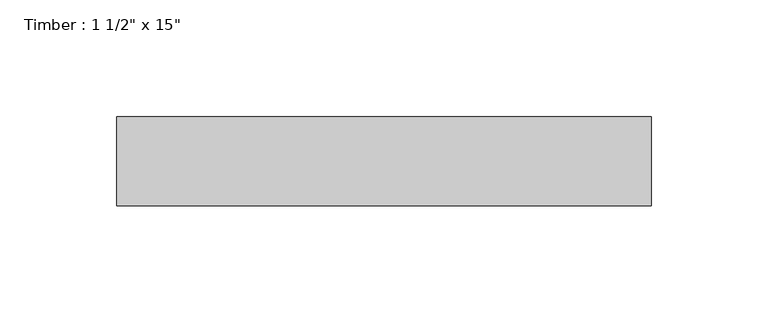
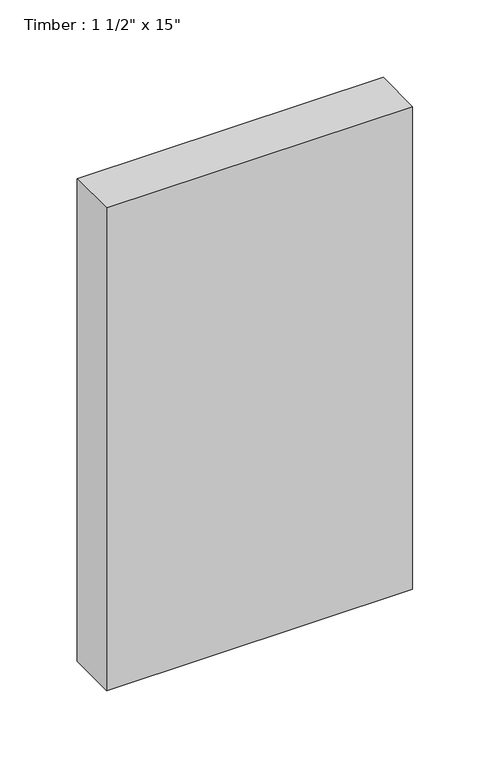
"""IFC4 building model written with IfcOpenShell, lengths in millimetres: beam geometry."""

from ifc_helpers import new_model, si_unit, frame, origin, place, context, project, spatial, polyline, outline, extrude, source, transform, mapped, element, save


def beam_79afa931(model_context):
    return source(origin(), model_context, "Body", "SweptSolid", [
        extrude(outline(polyline([(114.3, 19.05), (114.3, -19.05), (-114.3, -19.05), (-114.3, 19.05), (114.3, 19.05)])), frame((0.0, 0.0, -190.5), z_axis=(0.0, 0.0, 1.0), x_axis=(1.0, 0.0, 0.0)), (0.0, 0.0, 1.0), 381.0),
    ])


if __name__ == "__main__":
    model = new_model("IFC4")
    model_context = context("Model", 3, world=origin())
    ifc_project = project(units=[si_unit("LENGTHUNIT", "METRE", prefix="MILLI")], contexts=[model_context])
    site = spatial("IfcSite", under=ifc_project)
    building = spatial("IfcBuilding", under=site)
    placement = place(None, origin())
    beam_shape = beam_79afa931(model_context)
    element("IfcBeam", 1, ObjectType="Timber : 1 1/2\" x 15\"", at=placement, inside=building, context=model_context, shape_type="MappedRepresentation", body=[
        mapped(beam_shape, transform((0.0, 0.0, 0.0), x_axis=(1.0, 0.0, 0.0), y_axis=(0.0, 1.0, 0.0), z_axis=(0.0, 0.0, 1.0))),
    ])
    save(model, "model.ifc")
